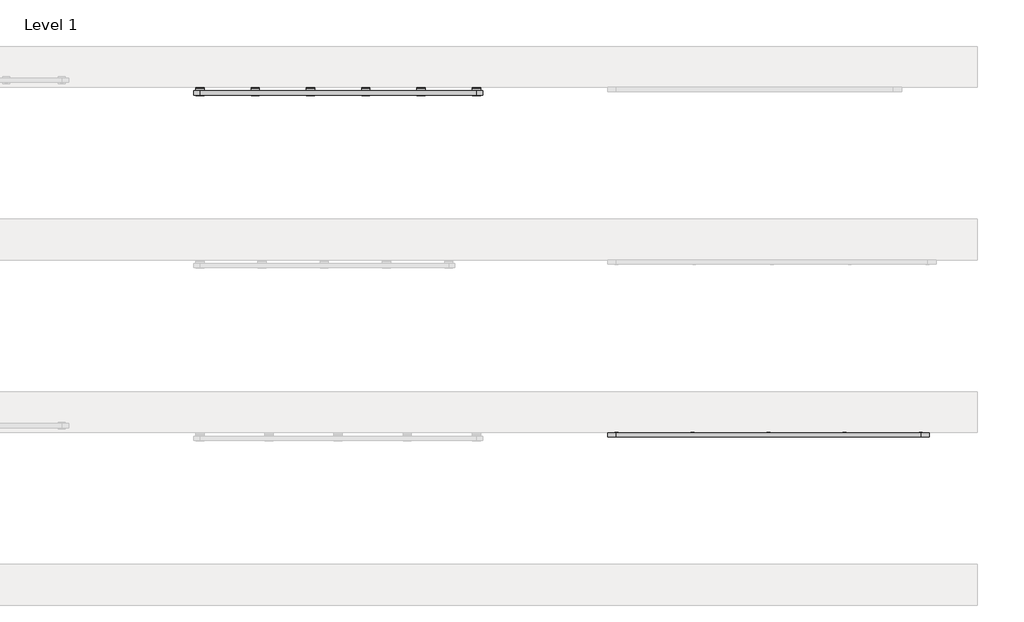
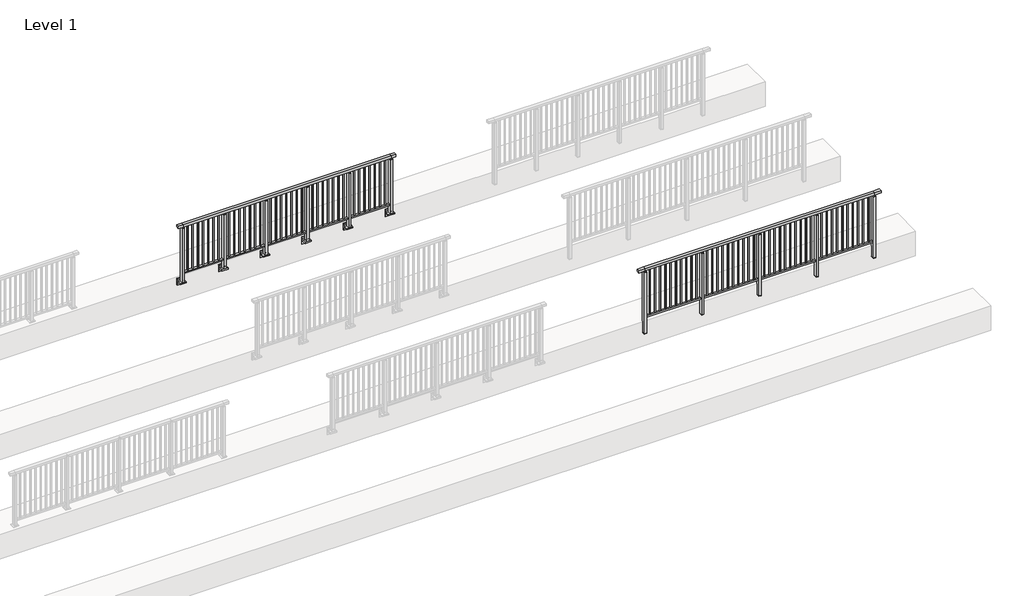
# One storey, part 16 of 37: 2 railings.
"""IFC4 building model written with IfcOpenShell, lengths in millimetres."""

from ifc_helpers import new_model, si_unit, point, frame, frame_2d, origin, place, context, project, spatial, polyline, circle_curve, trimmed, segment, composite_curve, outline, extrude, faceted_brep, element, save

model = new_model("IFC4")

# Units and contexts
model_context = context("Model", 3, world=origin())
ifc_project = project(units=[si_unit("LENGTHUNIT", "METRE", prefix="MILLI")], contexts=[model_context])

# Site, building, storey
site = spatial("IfcSite", under=ifc_project)
building = spatial("IfcBuilding", under=site)
storey = spatial("IfcBuildingStorey", under=building, Name="Level 1", Elevation=0.0)

# Railings
placement = place(None, origin())
element("IfcRailing", 1, at=placement, inside=storey, context=model_context, shape_type="SolidModel", body=[
    faceted_brep([(18027.0, 17397.6846828, 1055.0), (18027.0, 17397.6846828, 1100.0), (22427.0, 17397.6846828, 1100.0), (22427.0, 17397.6846828, 1055.0), (18027.0, 17337.6846828, 1055.0), (22427.0, 17337.6846828, 1055.0), (18027.0, 17337.6846828, 1100.0), (22427.0, 17337.6846828, 1100.0), (17899.5, 17397.6846828, 1100.0), (17899.5, 17397.6846828, 1055.0), (17899.5, 17337.6846828, 1055.0), (17899.5, 17337.6846828, 1100.0), (22554.5, 17397.6846828, 1100.0), (22554.5, 17337.6846828, 1100.0), (22554.5, 17337.6846828, 1055.0), (22554.5, 17397.6846828, 1055.0)], [[[0, 1, 2, 3]], [[4, 0, 3, 5]], [[6, 4, 5, 7]], [[1, 6, 7, 2]], [[8, 9, 10, 11]], [[9, 8, 1, 0]], [[10, 9, 0, 4]], [[11, 10, 4, 6]], [[8, 11, 6, 1]], [[12, 13, 14, 15]], [[3, 2, 12, 15]], [[5, 3, 15, 14]], [[7, 5, 14, 13]], [[2, 7, 13, 12]]]),
    extrude(outline(polyline([(18027.0, 17350.1846828), (18027.0, 17385.1846828), (22427.0, 17385.1846828), (22427.0, 17350.1846828), (18027.0, 17350.1846828)])), frame((0.0, 0.0, 95.0), z_axis=(0.0, 0.0, 1.0), x_axis=(1.0, 0.0, 0.0)), (0.0, 0.0, 1.0), 30.0),
    extrude(outline(polyline([(22335.5, 17359.1846828), (22318.5, 17359.1846828), (22318.5, 17376.1846828), (22335.5, 17376.1846828), (22335.5, 17359.1846828)])), frame((0.0, 0.0, 125.0), z_axis=(0.0, 0.0, 1.0), x_axis=(1.0, 0.0, 0.0)), (0.0, 0.0, 1.0), 930.0),
    extrude(outline(polyline([(22235.5, 17359.1846828), (22218.5, 17359.1846828), (22218.5, 17376.1846828), (22235.5, 17376.1846828), (22235.5, 17359.1846828)])), frame((0.0, 0.0, 125.0), z_axis=(0.0, 0.0, 1.0), x_axis=(1.0, 0.0, 0.0)), (0.0, 0.0, 1.0), 930.0),
    extrude(outline(polyline([(22135.5, 17359.1846828), (22118.5, 17359.1846828), (22118.5, 17376.1846828), (22135.5, 17376.1846828), (22135.5, 17359.1846828)])), frame((0.0, 0.0, 125.0), z_axis=(0.0, 0.0, 1.0), x_axis=(1.0, 0.0, 0.0)), (0.0, 0.0, 1.0), 930.0),
    extrude(outline(polyline([(22035.5, 17359.1846828), (22018.5, 17359.1846828), (22018.5, 17376.1846828), (22035.5, 17376.1846828), (22035.5, 17359.1846828)])), frame((0.0, 0.0, 125.0), z_axis=(0.0, 0.0, 1.0), x_axis=(1.0, 0.0, 0.0)), (0.0, 0.0, 1.0), 930.0),
    extrude(outline(polyline([(21935.5, 17359.1846828), (21918.5, 17359.1846828), (21918.5, 17376.1846828), (21935.5, 17376.1846828), (21935.5, 17359.1846828)])), frame((0.0, 0.0, 125.0), z_axis=(0.0, 0.0, 1.0), x_axis=(1.0, 0.0, 0.0)), (0.0, 0.0, 1.0), 930.0),
    extrude(outline(polyline([(21835.5, 17359.1846828), (21818.5, 17359.1846828), (21818.5, 17376.1846828), (21835.5, 17376.1846828), (21835.5, 17359.1846828)])), frame((0.0, 0.0, 125.0), z_axis=(0.0, 0.0, 1.0), x_axis=(1.0, 0.0, 0.0)), (0.0, 0.0, 1.0), 930.0),
    extrude(outline(polyline([(21735.5, 17359.1846828), (21718.5, 17359.1846828), (21718.5, 17376.1846828), (21735.5, 17376.1846828), (21735.5, 17359.1846828)])), frame((0.0, 0.0, 125.0), z_axis=(0.0, 0.0, 1.0), x_axis=(1.0, 0.0, 0.0)), (0.0, 0.0, 1.0), 930.0),
    extrude(outline(polyline([(21635.5, 17359.1846828), (21618.5, 17359.1846828), (21618.5, 17376.1846828), (21635.5, 17376.1846828), (21635.5, 17359.1846828)])), frame((0.0, 0.0, 125.0), z_axis=(0.0, 0.0, 1.0), x_axis=(1.0, 0.0, 0.0)), (0.0, 0.0, 1.0), 930.0),
    extrude(outline(polyline([(21535.5, 17359.1846828), (21518.5, 17359.1846828), (21518.5, 17376.1846828), (21535.5, 17376.1846828), (21535.5, 17359.1846828)])), frame((0.0, 0.0, 125.0), z_axis=(0.0, 0.0, 1.0), x_axis=(1.0, 0.0, 0.0)), (0.0, 0.0, 1.0), 930.0),
    extrude(outline(polyline([(21435.5, 17359.1846828), (21418.5, 17359.1846828), (21418.5, 17376.1846828), (21435.5, 17376.1846828), (21435.5, 17359.1846828)])), frame((0.0, 0.0, 125.0), z_axis=(0.0, 0.0, 1.0), x_axis=(1.0, 0.0, 0.0)), (0.0, 0.0, 1.0), 930.0),
    extrude(outline(polyline([(21349.5, 17400.1846828), (21349.5, 17335.1846828), (21304.5, 17335.1846828), (21304.5, 17400.1846828), (21349.5, 17400.1846828)])), frame((0.0, 0.0, 1027.0), z_axis=(0.0, 0.0, 1.0), x_axis=(1.0, 0.0, 0.0)), (0.0, 0.0, 1.0), 8.0),
    extrude(outline(polyline([(21349.5, 17400.1846828), (21349.5, 17335.1846828), (21304.5, 17335.1846828), (21304.5, 17400.1846828), (21349.5, 17400.1846828)])), frame((0.0, 0.0, -212.0), z_axis=(0.0, 0.0, 1.0), x_axis=(1.0, 0.0, 0.0)), (0.0, 0.0, 1.0), 1239.0),
    extrude(outline(polyline([(21337.0, 17377.6846828), (21337.0, 17357.6846828), (21317.0, 17357.6846828), (21317.0, 17377.6846828), (21337.0, 17377.6846828)])), frame((0.0, 0.0, 1035.0), z_axis=(0.0, 0.0, 1.0), x_axis=(1.0, 0.0, 0.0)), (0.0, 0.0, 1.0), 20.0),
    extrude(outline(polyline([(21349.5, 17400.1846828), (21349.5, 17335.1846828), (21304.5, 17335.1846828), (21304.5, 17400.1846828), (21349.5, 17400.1846828)])), frame((0.0, 0.0, -220.0), z_axis=(0.0, 0.0, 1.0), x_axis=(1.0, 0.0, 0.0)), (0.0, 0.0, 1.0), 8.0),
    extrude(outline(polyline([(21235.5, 17359.1846828), (21218.5, 17359.1846828), (21218.5, 17376.1846828), (21235.5, 17376.1846828), (21235.5, 17359.1846828)])), frame((0.0, 0.0, 125.0), z_axis=(0.0, 0.0, 1.0), x_axis=(1.0, 0.0, 0.0)), (0.0, 0.0, 1.0), 930.0),
    extrude(outline(polyline([(21135.5, 17359.1846828), (21118.5, 17359.1846828), (21118.5, 17376.1846828), (21135.5, 17376.1846828), (21135.5, 17359.1846828)])), frame((0.0, 0.0, 125.0), z_axis=(0.0, 0.0, 1.0), x_axis=(1.0, 0.0, 0.0)), (0.0, 0.0, 1.0), 930.0),
    extrude(outline(polyline([(21035.5, 17359.1846828), (21018.5, 17359.1846828), (21018.5, 17376.1846828), (21035.5, 17376.1846828), (21035.5, 17359.1846828)])), frame((0.0, 0.0, 125.0), z_axis=(0.0, 0.0, 1.0), x_axis=(1.0, 0.0, 0.0)), (0.0, 0.0, 1.0), 930.0),
    extrude(outline(polyline([(20935.5, 17359.1846828), (20918.5, 17359.1846828), (20918.5, 17376.1846828), (20935.5, 17376.1846828), (20935.5, 17359.1846828)])), frame((0.0, 0.0, 125.0), z_axis=(0.0, 0.0, 1.0), x_axis=(1.0, 0.0, 0.0)), (0.0, 0.0, 1.0), 930.0),
    extrude(outline(polyline([(20835.5, 17359.1846828), (20818.5, 17359.1846828), (20818.5, 17376.1846828), (20835.5, 17376.1846828), (20835.5, 17359.1846828)])), frame((0.0, 0.0, 125.0), z_axis=(0.0, 0.0, 1.0), x_axis=(1.0, 0.0, 0.0)), (0.0, 0.0, 1.0), 930.0),
    extrude(outline(polyline([(20735.5, 17359.1846828), (20718.5, 17359.1846828), (20718.5, 17376.1846828), (20735.5, 17376.1846828), (20735.5, 17359.1846828)])), frame((0.0, 0.0, 125.0), z_axis=(0.0, 0.0, 1.0), x_axis=(1.0, 0.0, 0.0)), (0.0, 0.0, 1.0), 930.0),
    extrude(outline(polyline([(20635.5, 17359.1846828), (20618.5, 17359.1846828), (20618.5, 17376.1846828), (20635.5, 17376.1846828), (20635.5, 17359.1846828)])), frame((0.0, 0.0, 125.0), z_axis=(0.0, 0.0, 1.0), x_axis=(1.0, 0.0, 0.0)), (0.0, 0.0, 1.0), 930.0),
    extrude(outline(polyline([(20535.5, 17359.1846828), (20518.5, 17359.1846828), (20518.5, 17376.1846828), (20535.5, 17376.1846828), (20535.5, 17359.1846828)])), frame((0.0, 0.0, 125.0), z_axis=(0.0, 0.0, 1.0), x_axis=(1.0, 0.0, 0.0)), (0.0, 0.0, 1.0), 930.0),
    extrude(outline(polyline([(20435.5, 17359.1846828), (20418.5, 17359.1846828), (20418.5, 17376.1846828), (20435.5, 17376.1846828), (20435.5, 17359.1846828)])), frame((0.0, 0.0, 125.0), z_axis=(0.0, 0.0, 1.0), x_axis=(1.0, 0.0, 0.0)), (0.0, 0.0, 1.0), 930.0),
    extrude(outline(polyline([(20335.5, 17359.1846828), (20318.5, 17359.1846828), (20318.5, 17376.1846828), (20335.5, 17376.1846828), (20335.5, 17359.1846828)])), frame((0.0, 0.0, 125.0), z_axis=(0.0, 0.0, 1.0), x_axis=(1.0, 0.0, 0.0)), (0.0, 0.0, 1.0), 930.0),
    extrude(outline(polyline([(20249.5, 17400.1846828), (20249.5, 17335.1846828), (20204.5, 17335.1846828), (20204.5, 17400.1846828), (20249.5, 17400.1846828)])), frame((0.0, 0.0, 1027.0), z_axis=(0.0, 0.0, 1.0), x_axis=(1.0, 0.0, 0.0)), (0.0, 0.0, 1.0), 8.0),
    extrude(outline(polyline([(20249.5, 17400.1846828), (20249.5, 17335.1846828), (20204.5, 17335.1846828), (20204.5, 17400.1846828), (20249.5, 17400.1846828)])), frame((0.0, 0.0, -212.0), z_axis=(0.0, 0.0, 1.0), x_axis=(1.0, 0.0, 0.0)), (0.0, 0.0, 1.0), 1239.0),
    extrude(outline(polyline([(20237.0, 17377.6846828), (20237.0, 17357.6846828), (20217.0, 17357.6846828), (20217.0, 17377.6846828), (20237.0, 17377.6846828)])), frame((0.0, 0.0, 1035.0), z_axis=(0.0, 0.0, 1.0), x_axis=(1.0, 0.0, 0.0)), (0.0, 0.0, 1.0), 20.0),
    extrude(outline(polyline([(20249.5, 17400.1846828), (20249.5, 17335.1846828), (20204.5, 17335.1846828), (20204.5, 17400.1846828), (20249.5, 17400.1846828)])), frame((0.0, 0.0, -220.0), z_axis=(0.0, 0.0, 1.0), x_axis=(1.0, 0.0, 0.0)), (0.0, 0.0, 1.0), 8.0),
    extrude(outline(polyline([(20135.5, 17359.1846828), (20118.5, 17359.1846828), (20118.5, 17376.1846828), (20135.5, 17376.1846828), (20135.5, 17359.1846828)])), frame((0.0, 0.0, 125.0), z_axis=(0.0, 0.0, 1.0), x_axis=(1.0, 0.0, 0.0)), (0.0, 0.0, 1.0), 930.0),
    extrude(outline(polyline([(20035.5, 17359.1846828), (20018.5, 17359.1846828), (20018.5, 17376.1846828), (20035.5, 17376.1846828), (20035.5, 17359.1846828)])), frame((0.0, 0.0, 125.0), z_axis=(0.0, 0.0, 1.0), x_axis=(1.0, 0.0, 0.0)), (0.0, 0.0, 1.0), 930.0),
    extrude(outline(polyline([(19935.5, 17359.1846828), (19918.5, 17359.1846828), (19918.5, 17376.1846828), (19935.5, 17376.1846828), (19935.5, 17359.1846828)])), frame((0.0, 0.0, 125.0), z_axis=(0.0, 0.0, 1.0), x_axis=(1.0, 0.0, 0.0)), (0.0, 0.0, 1.0), 930.0),
    extrude(outline(polyline([(19835.5, 17359.1846828), (19818.5, 17359.1846828), (19818.5, 17376.1846828), (19835.5, 17376.1846828), (19835.5, 17359.1846828)])), frame((0.0, 0.0, 125.0), z_axis=(0.0, 0.0, 1.0), x_axis=(1.0, 0.0, 0.0)), (0.0, 0.0, 1.0), 930.0),
    extrude(outline(polyline([(19735.5, 17359.1846828), (19718.5, 17359.1846828), (19718.5, 17376.1846828), (19735.5, 17376.1846828), (19735.5, 17359.1846828)])), frame((0.0, 0.0, 125.0), z_axis=(0.0, 0.0, 1.0), x_axis=(1.0, 0.0, 0.0)), (0.0, 0.0, 1.0), 930.0),
    extrude(outline(polyline([(19635.5, 17359.1846828), (19618.5, 17359.1846828), (19618.5, 17376.1846828), (19635.5, 17376.1846828), (19635.5, 17359.1846828)])), frame((0.0, 0.0, 125.0), z_axis=(0.0, 0.0, 1.0), x_axis=(1.0, 0.0, 0.0)), (0.0, 0.0, 1.0), 930.0),
    extrude(outline(polyline([(19535.5, 17359.1846828), (19518.5, 17359.1846828), (19518.5, 17376.1846828), (19535.5, 17376.1846828), (19535.5, 17359.1846828)])), frame((0.0, 0.0, 125.0), z_axis=(0.0, 0.0, 1.0), x_axis=(1.0, 0.0, 0.0)), (0.0, 0.0, 1.0), 930.0),
    extrude(outline(polyline([(19435.5, 17359.1846828), (19418.5, 17359.1846828), (19418.5, 17376.1846828), (19435.5, 17376.1846828), (19435.5, 17359.1846828)])), frame((0.0, 0.0, 125.0), z_axis=(0.0, 0.0, 1.0), x_axis=(1.0, 0.0, 0.0)), (0.0, 0.0, 1.0), 930.0),
    extrude(outline(polyline([(19335.5, 17359.1846828), (19318.5, 17359.1846828), (19318.5, 17376.1846828), (19335.5, 17376.1846828), (19335.5, 17359.1846828)])), frame((0.0, 0.0, 125.0), z_axis=(0.0, 0.0, 1.0), x_axis=(1.0, 0.0, 0.0)), (0.0, 0.0, 1.0), 930.0),
    extrude(outline(polyline([(19235.5, 17359.1846828), (19218.5, 17359.1846828), (19218.5, 17376.1846828), (19235.5, 17376.1846828), (19235.5, 17359.1846828)])), frame((0.0, 0.0, 125.0), z_axis=(0.0, 0.0, 1.0), x_axis=(1.0, 0.0, 0.0)), (0.0, 0.0, 1.0), 930.0),
    extrude(outline(polyline([(19149.5, 17400.1846828), (19149.5, 17335.1846828), (19104.5, 17335.1846828), (19104.5, 17400.1846828), (19149.5, 17400.1846828)])), frame((0.0, 0.0, 1027.0), z_axis=(0.0, 0.0, 1.0), x_axis=(1.0, 0.0, 0.0)), (0.0, 0.0, 1.0), 8.0),
    extrude(outline(polyline([(19149.5, 17400.1846828), (19149.5, 17335.1846828), (19104.5, 17335.1846828), (19104.5, 17400.1846828), (19149.5, 17400.1846828)])), frame((0.0, 0.0, -212.0), z_axis=(0.0, 0.0, 1.0), x_axis=(1.0, 0.0, 0.0)), (0.0, 0.0, 1.0), 1239.0),
    extrude(outline(polyline([(19137.0, 17377.6846828), (19137.0, 17357.6846828), (19117.0, 17357.6846828), (19117.0, 17377.6846828), (19137.0, 17377.6846828)])), frame((0.0, 0.0, 1035.0), z_axis=(0.0, 0.0, 1.0), x_axis=(1.0, 0.0, 0.0)), (0.0, 0.0, 1.0), 20.0),
    extrude(outline(polyline([(19149.5, 17400.1846828), (19149.5, 17335.1846828), (19104.5, 17335.1846828), (19104.5, 17400.1846828), (19149.5, 17400.1846828)])), frame((0.0, 0.0, -220.0), z_axis=(0.0, 0.0, 1.0), x_axis=(1.0, 0.0, 0.0)), (0.0, 0.0, 1.0), 8.0),
    extrude(outline(polyline([(19035.5, 17359.1846828), (19018.5, 17359.1846828), (19018.5, 17376.1846828), (19035.5, 17376.1846828), (19035.5, 17359.1846828)])), frame((0.0, 0.0, 125.0), z_axis=(0.0, 0.0, 1.0), x_axis=(1.0, 0.0, 0.0)), (0.0, 0.0, 1.0), 930.0),
    extrude(outline(polyline([(18935.5, 17359.1846828), (18918.5, 17359.1846828), (18918.5, 17376.1846828), (18935.5, 17376.1846828), (18935.5, 17359.1846828)])), frame((0.0, 0.0, 125.0), z_axis=(0.0, 0.0, 1.0), x_axis=(1.0, 0.0, 0.0)), (0.0, 0.0, 1.0), 930.0),
    extrude(outline(polyline([(18835.5, 17359.1846828), (18818.5, 17359.1846828), (18818.5, 17376.1846828), (18835.5, 17376.1846828), (18835.5, 17359.1846828)])), frame((0.0, 0.0, 125.0), z_axis=(0.0, 0.0, 1.0), x_axis=(1.0, 0.0, 0.0)), (0.0, 0.0, 1.0), 930.0),
    extrude(outline(polyline([(18735.5, 17359.1846828), (18718.5, 17359.1846828), (18718.5, 17376.1846828), (18735.5, 17376.1846828), (18735.5, 17359.1846828)])), frame((0.0, 0.0, 125.0), z_axis=(0.0, 0.0, 1.0), x_axis=(1.0, 0.0, 0.0)), (0.0, 0.0, 1.0), 930.0),
    extrude(outline(polyline([(18635.5, 17359.1846828), (18618.5, 17359.1846828), (18618.5, 17376.1846828), (18635.5, 17376.1846828), (18635.5, 17359.1846828)])), frame((0.0, 0.0, 125.0), z_axis=(0.0, 0.0, 1.0), x_axis=(1.0, 0.0, 0.0)), (0.0, 0.0, 1.0), 930.0),
    extrude(outline(polyline([(18535.5, 17359.1846828), (18518.5, 17359.1846828), (18518.5, 17376.1846828), (18535.5, 17376.1846828), (18535.5, 17359.1846828)])), frame((0.0, 0.0, 125.0), z_axis=(0.0, 0.0, 1.0), x_axis=(1.0, 0.0, 0.0)), (0.0, 0.0, 1.0), 930.0),
    extrude(outline(polyline([(18435.5, 17359.1846828), (18418.5, 17359.1846828), (18418.5, 17376.1846828), (18435.5, 17376.1846828), (18435.5, 17359.1846828)])), frame((0.0, 0.0, 125.0), z_axis=(0.0, 0.0, 1.0), x_axis=(1.0, 0.0, 0.0)), (0.0, 0.0, 1.0), 930.0),
    extrude(outline(polyline([(18335.5, 17359.1846828), (18318.5, 17359.1846828), (18318.5, 17376.1846828), (18335.5, 17376.1846828), (18335.5, 17359.1846828)])), frame((0.0, 0.0, 125.0), z_axis=(0.0, 0.0, 1.0), x_axis=(1.0, 0.0, 0.0)), (0.0, 0.0, 1.0), 930.0),
    extrude(outline(polyline([(18235.5, 17359.1846828), (18218.5, 17359.1846828), (18218.5, 17376.1846828), (18235.5, 17376.1846828), (18235.5, 17359.1846828)])), frame((0.0, 0.0, 125.0), z_axis=(0.0, 0.0, 1.0), x_axis=(1.0, 0.0, 0.0)), (0.0, 0.0, 1.0), 930.0),
    extrude(outline(polyline([(18135.5, 17359.1846828), (18118.5, 17359.1846828), (18118.5, 17376.1846828), (18135.5, 17376.1846828), (18135.5, 17359.1846828)])), frame((0.0, 0.0, 125.0), z_axis=(0.0, 0.0, 1.0), x_axis=(1.0, 0.0, 0.0)), (0.0, 0.0, 1.0), 930.0),
    extrude(outline(polyline([(22449.5, 17400.1846828), (22449.5, 17335.1846828), (22404.5, 17335.1846828), (22404.5, 17400.1846828), (22449.5, 17400.1846828)])), frame((0.0, 0.0, 1027.0), z_axis=(0.0, 0.0, 1.0), x_axis=(1.0, 0.0, 0.0)), (0.0, 0.0, 1.0), 8.0),
    extrude(outline(polyline([(22449.5, 17400.1846828), (22449.5, 17335.1846828), (22404.5, 17335.1846828), (22404.5, 17400.1846828), (22449.5, 17400.1846828)])), frame((0.0, 0.0, -212.0), z_axis=(0.0, 0.0, 1.0), x_axis=(1.0, 0.0, 0.0)), (0.0, 0.0, 1.0), 1239.0),
    extrude(outline(polyline([(22437.0, 17377.6846828), (22437.0, 17357.6846828), (22417.0, 17357.6846828), (22417.0, 17377.6846828), (22437.0, 17377.6846828)])), frame((0.0, 0.0, 1035.0), z_axis=(0.0, 0.0, 1.0), x_axis=(1.0, 0.0, 0.0)), (0.0, 0.0, 1.0), 20.0),
    extrude(outline(polyline([(22449.5, 17400.1846828), (22449.5, 17335.1846828), (22404.5, 17335.1846828), (22404.5, 17400.1846828), (22449.5, 17400.1846828)])), frame((0.0, 0.0, -220.0), z_axis=(0.0, 0.0, 1.0), x_axis=(1.0, 0.0, 0.0)), (0.0, 0.0, 1.0), 8.0),
    extrude(outline(polyline([(18049.5, 17400.1846828), (18049.5, 17335.1846828), (18004.5, 17335.1846828), (18004.5, 17400.1846828), (18049.5, 17400.1846828)])), frame((0.0, 0.0, 1027.0), z_axis=(0.0, 0.0, 1.0), x_axis=(1.0, 0.0, 0.0)), (0.0, 0.0, 1.0), 8.0),
    extrude(outline(polyline([(18049.5, 17400.1846828), (18049.5, 17335.1846828), (18004.5, 17335.1846828), (18004.5, 17400.1846828), (18049.5, 17400.1846828)])), frame((0.0, 0.0, -212.0), z_axis=(0.0, 0.0, 1.0), x_axis=(1.0, 0.0, 0.0)), (0.0, 0.0, 1.0), 1239.0),
    extrude(outline(polyline([(18037.0, 17377.6846828), (18037.0, 17357.6846828), (18017.0, 17357.6846828), (18017.0, 17377.6846828), (18037.0, 17377.6846828)])), frame((0.0, 0.0, 1035.0), z_axis=(0.0, 0.0, 1.0), x_axis=(1.0, 0.0, 0.0)), (0.0, 0.0, 1.0), 20.0),
    extrude(outline(polyline([(18049.5, 17400.1846828), (18049.5, 17335.1846828), (18004.5, 17335.1846828), (18004.5, 17400.1846828), (18049.5, 17400.1846828)])), frame((0.0, 0.0, -220.0), z_axis=(0.0, 0.0, 1.0), x_axis=(1.0, 0.0, 0.0)), (0.0, 0.0, 1.0), 8.0),
])
element("IfcRailing", 2, at=placement, inside=storey, context=model_context, shape_type="SolidModel", body=[
    faceted_brep([(11910.0, 22347.6846828, 1100.0), (11910.0, 22347.6846828, 1055.0), (11910.0, 22287.6846828, 1055.0), (11910.0, 22287.6846828, 1100.0), (12000.0, 22347.6846828, 1100.0), (12000.0, 22347.6846828, 1055.0), (12000.0, 22287.6846828, 1055.0), (12000.0, 22287.6846828, 1100.0), (16000.0, 22347.6846828, 1100.0), (16000.0, 22347.6846828, 1055.0), (16000.0, 22287.6846828, 1055.0), (16000.0, 22287.6846828, 1100.0), (16090.0, 22347.6846828, 1100.0), (16090.0, 22287.6846828, 1100.0), (16090.0, 22287.6846828, 1055.0), (16090.0, 22347.6846828, 1055.0)], [[[0, 1, 2, 3]], [[1, 0, 4, 5]], [[2, 1, 5, 6]], [[3, 2, 6, 7]], [[0, 3, 7, 4]], [[5, 4, 8, 9]], [[6, 5, 9, 10]], [[7, 6, 10, 11]], [[4, 7, 11, 8]], [[12, 13, 14, 15]], [[9, 8, 12, 15]], [[10, 9, 15, 14]], [[11, 10, 14, 13]], [[8, 11, 13, 12]]]),
    extrude(outline(polyline([(12000.0, 22300.1846828), (12000.0, 22335.1846828), (16000.0, 22335.1846828), (16000.0, 22300.1846828), (12000.0, 22300.1846828)])), frame((0.0, 0.0, 95.0), z_axis=(0.0, 0.0, 1.0), x_axis=(1.0, 0.0, 0.0)), (0.0, 0.0, 1.0), 30.0),
    extrude(outline(polyline([(15908.5, 22309.1846828), (15891.5, 22309.1846828), (15891.5, 22326.1846828), (15908.5, 22326.1846828), (15908.5, 22309.1846828)])), frame((0.0, 0.0, 125.0), z_axis=(0.0, 0.0, 1.0), x_axis=(1.0, 0.0, 0.0)), (0.0, 0.0, 1.0), 930.0),
    extrude(outline(polyline([(15808.5, 22309.1846828), (15791.5, 22309.1846828), (15791.5, 22326.1846828), (15808.5, 22326.1846828), (15808.5, 22309.1846828)])), frame((0.0, 0.0, 125.0), z_axis=(0.0, 0.0, 1.0), x_axis=(1.0, 0.0, 0.0)), (0.0, 0.0, 1.0), 930.0),
    extrude(outline(polyline([(15708.5, 22309.1846828), (15691.5, 22309.1846828), (15691.5, 22326.1846828), (15708.5, 22326.1846828), (15708.5, 22309.1846828)])), frame((0.0, 0.0, 125.0), z_axis=(0.0, 0.0, 1.0), x_axis=(1.0, 0.0, 0.0)), (0.0, 0.0, 1.0), 930.0),
    extrude(outline(polyline([(15608.5, 22309.1846828), (15591.5, 22309.1846828), (15591.5, 22326.1846828), (15608.5, 22326.1846828), (15608.5, 22309.1846828)])), frame((0.0, 0.0, 125.0), z_axis=(0.0, 0.0, 1.0), x_axis=(1.0, 0.0, 0.0)), (0.0, 0.0, 1.0), 930.0),
    extrude(outline(polyline([(15508.5, 22309.1846828), (15491.5, 22309.1846828), (15491.5, 22326.1846828), (15508.5, 22326.1846828), (15508.5, 22309.1846828)])), frame((0.0, 0.0, 125.0), z_axis=(0.0, 0.0, 1.0), x_axis=(1.0, 0.0, 0.0)), (0.0, 0.0, 1.0), 930.0),
    extrude(outline(polyline([(15408.5, 22309.1846828), (15391.5, 22309.1846828), (15391.5, 22326.1846828), (15408.5, 22326.1846828), (15408.5, 22309.1846828)])), frame((0.0, 0.0, 125.0), z_axis=(0.0, 0.0, 1.0), x_axis=(1.0, 0.0, 0.0)), (0.0, 0.0, 1.0), 930.0),
    extrude(outline(polyline([(15308.5, 22309.1846828), (15291.5, 22309.1846828), (15291.5, 22326.1846828), (15308.5, 22326.1846828), (15308.5, 22309.1846828)])), frame((0.0, 0.0, 125.0), z_axis=(0.0, 0.0, 1.0), x_axis=(1.0, 0.0, 0.0)), (0.0, 0.0, 1.0), 930.0),
    extrude(outline(composite_curve([segment(polyline([(22350.1846828, -70.0), (22384.1846828, -63.0), (22384.1846828, -32.5), (22400.1846828, -32.5), (22400.1846828, -167.5), (22384.1846828, -167.5), (22384.1846828, -113.5)]), True, "CONTINUOUS"), segment(trimmed(circle_curve(frame_2d((22364.1846828, -113.5)), 20.0), [point((22384.1846828, -113.5))], [point((22364.1846828, -93.5))], True, "CARTESIAN"), True, "CONTINUOUS"), segment(polyline([(22364.1846828, -93.5), (22280.1846828, -93.5), (22280.1846828, -70.0), (22350.1846828, -70.0)]), True, "CONTINUOUS")], self_intersect=False)), frame((15140.0, 0.0, 0.0), z_axis=(1.0, 0.0, 0.0), x_axis=(0.0, 1.0, 0.0)), (0.0, 0.0, 1.0), 120.0),
    extrude(outline(polyline([(15222.5, 22350.1846828), (15222.5, 22285.1846828), (15177.5, 22285.1846828), (15177.5, 22350.1846828), (15222.5, 22350.1846828)])), frame((0.0, 0.0, -70.0), z_axis=(0.0, 0.0, 1.0), x_axis=(1.0, 0.0, 0.0)), (0.0, 0.0, 1.0), 1097.0),
    extrude(outline(polyline([(15210.0, 22327.6846828), (15210.0, 22307.6846828), (15190.0, 22307.6846828), (15190.0, 22327.6846828), (15210.0, 22327.6846828)])), frame((0.0, 0.0, 1035.0), z_axis=(0.0, 0.0, 1.0), x_axis=(1.0, 0.0, 0.0)), (0.0, 0.0, 1.0), 20.0),
    extrude(outline(polyline([(15222.5, 22350.1846828), (15222.5, 22285.1846828), (15177.5, 22285.1846828), (15177.5, 22350.1846828), (15222.5, 22350.1846828)])), frame((0.0, 0.0, 1027.0), z_axis=(0.0, 0.0, 1.0), x_axis=(1.0, 0.0, 0.0)), (0.0, 0.0, 1.0), 8.0),
    extrude(outline(polyline([(15108.5, 22309.1846828), (15091.5, 22309.1846828), (15091.5, 22326.1846828), (15108.5, 22326.1846828), (15108.5, 22309.1846828)])), frame((0.0, 0.0, 125.0), z_axis=(0.0, 0.0, 1.0), x_axis=(1.0, 0.0, 0.0)), (0.0, 0.0, 1.0), 930.0),
    extrude(outline(polyline([(15008.5, 22309.1846828), (14991.5, 22309.1846828), (14991.5, 22326.1846828), (15008.5, 22326.1846828), (15008.5, 22309.1846828)])), frame((0.0, 0.0, 125.0), z_axis=(0.0, 0.0, 1.0), x_axis=(1.0, 0.0, 0.0)), (0.0, 0.0, 1.0), 930.0),
    extrude(outline(polyline([(14908.5, 22309.1846828), (14891.5, 22309.1846828), (14891.5, 22326.1846828), (14908.5, 22326.1846828), (14908.5, 22309.1846828)])), frame((0.0, 0.0, 125.0), z_axis=(0.0, 0.0, 1.0), x_axis=(1.0, 0.0, 0.0)), (0.0, 0.0, 1.0), 930.0),
    extrude(outline(polyline([(14808.5, 22309.1846828), (14791.5, 22309.1846828), (14791.5, 22326.1846828), (14808.5, 22326.1846828), (14808.5, 22309.1846828)])), frame((0.0, 0.0, 125.0), z_axis=(0.0, 0.0, 1.0), x_axis=(1.0, 0.0, 0.0)), (0.0, 0.0, 1.0), 930.0),
    extrude(outline(polyline([(14708.5, 22309.1846828), (14691.5, 22309.1846828), (14691.5, 22326.1846828), (14708.5, 22326.1846828), (14708.5, 22309.1846828)])), frame((0.0, 0.0, 125.0), z_axis=(0.0, 0.0, 1.0), x_axis=(1.0, 0.0, 0.0)), (0.0, 0.0, 1.0), 930.0),
    extrude(outline(polyline([(14608.5, 22309.1846828), (14591.5, 22309.1846828), (14591.5, 22326.1846828), (14608.5, 22326.1846828), (14608.5, 22309.1846828)])), frame((0.0, 0.0, 125.0), z_axis=(0.0, 0.0, 1.0), x_axis=(1.0, 0.0, 0.0)), (0.0, 0.0, 1.0), 930.0),
    extrude(outline(polyline([(14508.5, 22309.1846828), (14491.5, 22309.1846828), (14491.5, 22326.1846828), (14508.5, 22326.1846828), (14508.5, 22309.1846828)])), frame((0.0, 0.0, 125.0), z_axis=(0.0, 0.0, 1.0), x_axis=(1.0, 0.0, 0.0)), (0.0, 0.0, 1.0), 930.0),
    extrude(outline(composite_curve([segment(polyline([(22350.1846828, -70.0), (22384.1846828, -63.0), (22384.1846828, -32.5), (22400.1846828, -32.5), (22400.1846828, -167.5), (22384.1846828, -167.5), (22384.1846828, -113.5)]), True, "CONTINUOUS"), segment(trimmed(circle_curve(frame_2d((22364.1846828, -113.5)), 20.0), [point((22384.1846828, -113.5))], [point((22364.1846828, -93.5))], True, "CARTESIAN"), True, "CONTINUOUS"), segment(polyline([(22364.1846828, -93.5), (22280.1846828, -93.5), (22280.1846828, -70.0), (22350.1846828, -70.0)]), True, "CONTINUOUS")], self_intersect=False)), frame((14340.0, 0.0, 0.0), z_axis=(1.0, 0.0, 0.0), x_axis=(0.0, 1.0, 0.0)), (0.0, 0.0, 1.0), 120.0),
    extrude(outline(polyline([(14422.5, 22350.1846828), (14422.5, 22285.1846828), (14377.5, 22285.1846828), (14377.5, 22350.1846828), (14422.5, 22350.1846828)])), frame((0.0, 0.0, -70.0), z_axis=(0.0, 0.0, 1.0), x_axis=(1.0, 0.0, 0.0)), (0.0, 0.0, 1.0), 1097.0),
    extrude(outline(polyline([(14410.0, 22327.6846828), (14410.0, 22307.6846828), (14390.0, 22307.6846828), (14390.0, 22327.6846828), (14410.0, 22327.6846828)])), frame((0.0, 0.0, 1035.0), z_axis=(0.0, 0.0, 1.0), x_axis=(1.0, 0.0, 0.0)), (0.0, 0.0, 1.0), 20.0),
    extrude(outline(polyline([(14422.5, 22350.1846828), (14422.5, 22285.1846828), (14377.5, 22285.1846828), (14377.5, 22350.1846828), (14422.5, 22350.1846828)])), frame((0.0, 0.0, 1027.0), z_axis=(0.0, 0.0, 1.0), x_axis=(1.0, 0.0, 0.0)), (0.0, 0.0, 1.0), 8.0),
    extrude(outline(polyline([(14308.5, 22309.1846828), (14291.5, 22309.1846828), (14291.5, 22326.1846828), (14308.5, 22326.1846828), (14308.5, 22309.1846828)])), frame((0.0, 0.0, 125.0), z_axis=(0.0, 0.0, 1.0), x_axis=(1.0, 0.0, 0.0)), (0.0, 0.0, 1.0), 930.0),
    extrude(outline(polyline([(14208.5, 22309.1846828), (14191.5, 22309.1846828), (14191.5, 22326.1846828), (14208.5, 22326.1846828), (14208.5, 22309.1846828)])), frame((0.0, 0.0, 125.0), z_axis=(0.0, 0.0, 1.0), x_axis=(1.0, 0.0, 0.0)), (0.0, 0.0, 1.0), 930.0),
    extrude(outline(polyline([(14108.5, 22309.1846828), (14091.5, 22309.1846828), (14091.5, 22326.1846828), (14108.5, 22326.1846828), (14108.5, 22309.1846828)])), frame((0.0, 0.0, 125.0), z_axis=(0.0, 0.0, 1.0), x_axis=(1.0, 0.0, 0.0)), (0.0, 0.0, 1.0), 930.0),
    extrude(outline(polyline([(14008.5, 22309.1846828), (13991.5, 22309.1846828), (13991.5, 22326.1846828), (14008.5, 22326.1846828), (14008.5, 22309.1846828)])), frame((0.0, 0.0, 125.0), z_axis=(0.0, 0.0, 1.0), x_axis=(1.0, 0.0, 0.0)), (0.0, 0.0, 1.0), 930.0),
    extrude(outline(polyline([(13908.5, 22309.1846828), (13891.5, 22309.1846828), (13891.5, 22326.1846828), (13908.5, 22326.1846828), (13908.5, 22309.1846828)])), frame((0.0, 0.0, 125.0), z_axis=(0.0, 0.0, 1.0), x_axis=(1.0, 0.0, 0.0)), (0.0, 0.0, 1.0), 930.0),
    extrude(outline(polyline([(13808.5, 22309.1846828), (13791.5, 22309.1846828), (13791.5, 22326.1846828), (13808.5, 22326.1846828), (13808.5, 22309.1846828)])), frame((0.0, 0.0, 125.0), z_axis=(0.0, 0.0, 1.0), x_axis=(1.0, 0.0, 0.0)), (0.0, 0.0, 1.0), 930.0),
    extrude(outline(polyline([(13708.5, 22309.1846828), (13691.5, 22309.1846828), (13691.5, 22326.1846828), (13708.5, 22326.1846828), (13708.5, 22309.1846828)])), frame((0.0, 0.0, 125.0), z_axis=(0.0, 0.0, 1.0), x_axis=(1.0, 0.0, 0.0)), (0.0, 0.0, 1.0), 930.0),
    extrude(outline(composite_curve([segment(polyline([(22350.1846828, -70.0), (22384.1846828, -63.0), (22384.1846828, -32.5), (22400.1846828, -32.5), (22400.1846828, -167.5), (22384.1846828, -167.5), (22384.1846828, -113.5)]), True, "CONTINUOUS"), segment(trimmed(circle_curve(frame_2d((22364.1846828, -113.5)), 20.0), [point((22384.1846828, -113.5))], [point((22364.1846828, -93.5))], True, "CARTESIAN"), True, "CONTINUOUS"), segment(polyline([(22364.1846828, -93.5), (22280.1846828, -93.5), (22280.1846828, -70.0), (22350.1846828, -70.0)]), True, "CONTINUOUS")], self_intersect=False)), frame((13540.0, 0.0, 0.0), z_axis=(1.0, 0.0, 0.0), x_axis=(0.0, 1.0, 0.0)), (0.0, 0.0, 1.0), 120.0),
    extrude(outline(polyline([(13622.5, 22350.1846828), (13622.5, 22285.1846828), (13577.5, 22285.1846828), (13577.5, 22350.1846828), (13622.5, 22350.1846828)])), frame((0.0, 0.0, -70.0), z_axis=(0.0, 0.0, 1.0), x_axis=(1.0, 0.0, 0.0)), (0.0, 0.0, 1.0), 1097.0),
    extrude(outline(polyline([(13610.0, 22327.6846828), (13610.0, 22307.6846828), (13590.0, 22307.6846828), (13590.0, 22327.6846828), (13610.0, 22327.6846828)])), frame((0.0, 0.0, 1035.0), z_axis=(0.0, 0.0, 1.0), x_axis=(1.0, 0.0, 0.0)), (0.0, 0.0, 1.0), 20.0),
    extrude(outline(polyline([(13622.5, 22350.1846828), (13622.5, 22285.1846828), (13577.5, 22285.1846828), (13577.5, 22350.1846828), (13622.5, 22350.1846828)])), frame((0.0, 0.0, 1027.0), z_axis=(0.0, 0.0, 1.0), x_axis=(1.0, 0.0, 0.0)), (0.0, 0.0, 1.0), 8.0),
    extrude(outline(polyline([(13508.5, 22309.1846828), (13491.5, 22309.1846828), (13491.5, 22326.1846828), (13508.5, 22326.1846828), (13508.5, 22309.1846828)])), frame((0.0, 0.0, 125.0), z_axis=(0.0, 0.0, 1.0), x_axis=(1.0, 0.0, 0.0)), (0.0, 0.0, 1.0), 930.0),
    extrude(outline(polyline([(13408.5, 22309.1846828), (13391.5, 22309.1846828), (13391.5, 22326.1846828), (13408.5, 22326.1846828), (13408.5, 22309.1846828)])), frame((0.0, 0.0, 125.0), z_axis=(0.0, 0.0, 1.0), x_axis=(1.0, 0.0, 0.0)), (0.0, 0.0, 1.0), 930.0),
    extrude(outline(polyline([(13308.5, 22309.1846828), (13291.5, 22309.1846828), (13291.5, 22326.1846828), (13308.5, 22326.1846828), (13308.5, 22309.1846828)])), frame((0.0, 0.0, 125.0), z_axis=(0.0, 0.0, 1.0), x_axis=(1.0, 0.0, 0.0)), (0.0, 0.0, 1.0), 930.0),
    extrude(outline(polyline([(13208.5, 22309.1846828), (13191.5, 22309.1846828), (13191.5, 22326.1846828), (13208.5, 22326.1846828), (13208.5, 22309.1846828)])), frame((0.0, 0.0, 125.0), z_axis=(0.0, 0.0, 1.0), x_axis=(1.0, 0.0, 0.0)), (0.0, 0.0, 1.0), 930.0),
    extrude(outline(polyline([(13108.5, 22309.1846828), (13091.5, 22309.1846828), (13091.5, 22326.1846828), (13108.5, 22326.1846828), (13108.5, 22309.1846828)])), frame((0.0, 0.0, 125.0), z_axis=(0.0, 0.0, 1.0), x_axis=(1.0, 0.0, 0.0)), (0.0, 0.0, 1.0), 930.0),
    extrude(outline(polyline([(13008.5, 22309.1846828), (12991.5, 22309.1846828), (12991.5, 22326.1846828), (13008.5, 22326.1846828), (13008.5, 22309.1846828)])), frame((0.0, 0.0, 125.0), z_axis=(0.0, 0.0, 1.0), x_axis=(1.0, 0.0, 0.0)), (0.0, 0.0, 1.0), 930.0),
    extrude(outline(polyline([(12908.5, 22309.1846828), (12891.5, 22309.1846828), (12891.5, 22326.1846828), (12908.5, 22326.1846828), (12908.5, 22309.1846828)])), frame((0.0, 0.0, 125.0), z_axis=(0.0, 0.0, 1.0), x_axis=(1.0, 0.0, 0.0)), (0.0, 0.0, 1.0), 930.0),
    extrude(outline(composite_curve([segment(polyline([(22350.1846828, -70.0), (22384.1846828, -63.0), (22384.1846828, -32.5), (22400.1846828, -32.5), (22400.1846828, -167.5), (22384.1846828, -167.5), (22384.1846828, -113.5)]), True, "CONTINUOUS"), segment(trimmed(circle_curve(frame_2d((22364.1846828, -113.5)), 20.0), [point((22384.1846828, -113.5))], [point((22364.1846828, -93.5))], True, "CARTESIAN"), True, "CONTINUOUS"), segment(polyline([(22364.1846828, -93.5), (22280.1846828, -93.5), (22280.1846828, -70.0), (22350.1846828, -70.0)]), True, "CONTINUOUS")], self_intersect=False)), frame((12740.0, 0.0, 0.0), z_axis=(1.0, 0.0, 0.0), x_axis=(0.0, 1.0, 0.0)), (0.0, 0.0, 1.0), 120.0),
    extrude(outline(polyline([(12822.5, 22350.1846828), (12822.5, 22285.1846828), (12777.5, 22285.1846828), (12777.5, 22350.1846828), (12822.5, 22350.1846828)])), frame((0.0, 0.0, -70.0), z_axis=(0.0, 0.0, 1.0), x_axis=(1.0, 0.0, 0.0)), (0.0, 0.0, 1.0), 1097.0),
    extrude(outline(polyline([(12810.0, 22327.6846828), (12810.0, 22307.6846828), (12790.0, 22307.6846828), (12790.0, 22327.6846828), (12810.0, 22327.6846828)])), frame((0.0, 0.0, 1035.0), z_axis=(0.0, 0.0, 1.0), x_axis=(1.0, 0.0, 0.0)), (0.0, 0.0, 1.0), 20.0),
    extrude(outline(polyline([(12822.5, 22350.1846828), (12822.5, 22285.1846828), (12777.5, 22285.1846828), (12777.5, 22350.1846828), (12822.5, 22350.1846828)])), frame((0.0, 0.0, 1027.0), z_axis=(0.0, 0.0, 1.0), x_axis=(1.0, 0.0, 0.0)), (0.0, 0.0, 1.0), 8.0),
    extrude(outline(polyline([(12708.5, 22309.1846828), (12691.5, 22309.1846828), (12691.5, 22326.1846828), (12708.5, 22326.1846828), (12708.5, 22309.1846828)])), frame((0.0, 0.0, 125.0), z_axis=(0.0, 0.0, 1.0), x_axis=(1.0, 0.0, 0.0)), (0.0, 0.0, 1.0), 930.0),
    extrude(outline(polyline([(12608.5, 22309.1846828), (12591.5, 22309.1846828), (12591.5, 22326.1846828), (12608.5, 22326.1846828), (12608.5, 22309.1846828)])), frame((0.0, 0.0, 125.0), z_axis=(0.0, 0.0, 1.0), x_axis=(1.0, 0.0, 0.0)), (0.0, 0.0, 1.0), 930.0),
    extrude(outline(polyline([(12508.5, 22309.1846828), (12491.5, 22309.1846828), (12491.5, 22326.1846828), (12508.5, 22326.1846828), (12508.5, 22309.1846828)])), frame((0.0, 0.0, 125.0), z_axis=(0.0, 0.0, 1.0), x_axis=(1.0, 0.0, 0.0)), (0.0, 0.0, 1.0), 930.0),
    extrude(outline(polyline([(12408.5, 22309.1846828), (12391.5, 22309.1846828), (12391.5, 22326.1846828), (12408.5, 22326.1846828), (12408.5, 22309.1846828)])), frame((0.0, 0.0, 125.0), z_axis=(0.0, 0.0, 1.0), x_axis=(1.0, 0.0, 0.0)), (0.0, 0.0, 1.0), 930.0),
    extrude(outline(polyline([(12308.5, 22309.1846828), (12291.5, 22309.1846828), (12291.5, 22326.1846828), (12308.5, 22326.1846828), (12308.5, 22309.1846828)])), frame((0.0, 0.0, 125.0), z_axis=(0.0, 0.0, 1.0), x_axis=(1.0, 0.0, 0.0)), (0.0, 0.0, 1.0), 930.0),
    extrude(outline(polyline([(12208.5, 22309.1846828), (12191.5, 22309.1846828), (12191.5, 22326.1846828), (12208.5, 22326.1846828), (12208.5, 22309.1846828)])), frame((0.0, 0.0, 125.0), z_axis=(0.0, 0.0, 1.0), x_axis=(1.0, 0.0, 0.0)), (0.0, 0.0, 1.0), 930.0),
    extrude(outline(polyline([(12108.5, 22309.1846828), (12091.5, 22309.1846828), (12091.5, 22326.1846828), (12108.5, 22326.1846828), (12108.5, 22309.1846828)])), frame((0.0, 0.0, 125.0), z_axis=(0.0, 0.0, 1.0), x_axis=(1.0, 0.0, 0.0)), (0.0, 0.0, 1.0), 930.0),
    extrude(outline(composite_curve([segment(polyline([(22350.1846828, -70.0), (22384.1846828, -63.0), (22384.1846828, -32.5), (22400.1846828, -32.5), (22400.1846828, -167.5), (22384.1846828, -167.5), (22384.1846828, -113.5)]), True, "CONTINUOUS"), segment(trimmed(circle_curve(frame_2d((22364.1846828, -113.5)), 20.0), [point((22384.1846828, -113.5))], [point((22364.1846828, -93.5))], True, "CARTESIAN"), True, "CONTINUOUS"), segment(polyline([(22364.1846828, -93.5), (22280.1846828, -93.5), (22280.1846828, -70.0), (22350.1846828, -70.0)]), True, "CONTINUOUS")], self_intersect=False)), frame((15940.0, 0.0, 0.0), z_axis=(1.0, 0.0, 0.0), x_axis=(0.0, 1.0, 0.0)), (0.0, 0.0, 1.0), 120.0),
    extrude(outline(polyline([(16022.5, 22350.1846828), (16022.5, 22285.1846828), (15977.5, 22285.1846828), (15977.5, 22350.1846828), (16022.5, 22350.1846828)])), frame((0.0, 0.0, -70.0), z_axis=(0.0, 0.0, 1.0), x_axis=(1.0, 0.0, 0.0)), (0.0, 0.0, 1.0), 1097.0),
    extrude(outline(polyline([(16010.0, 22327.6846828), (16010.0, 22307.6846828), (15990.0, 22307.6846828), (15990.0, 22327.6846828), (16010.0, 22327.6846828)])), frame((0.0, 0.0, 1035.0), z_axis=(0.0, 0.0, 1.0), x_axis=(1.0, 0.0, 0.0)), (0.0, 0.0, 1.0), 20.0),
    extrude(outline(polyline([(16022.5, 22350.1846828), (16022.5, 22285.1846828), (15977.5, 22285.1846828), (15977.5, 22350.1846828), (16022.5, 22350.1846828)])), frame((0.0, 0.0, 1027.0), z_axis=(0.0, 0.0, 1.0), x_axis=(1.0, 0.0, 0.0)), (0.0, 0.0, 1.0), 8.0),
    extrude(outline(composite_curve([segment(polyline([(22350.1846828, -70.0), (22384.1846828, -63.0), (22384.1846828, -32.5), (22400.1846828, -32.5), (22400.1846828, -167.5), (22384.1846828, -167.5), (22384.1846828, -113.5)]), True, "CONTINUOUS"), segment(trimmed(circle_curve(frame_2d((22364.1846828, -113.5)), 20.0), [point((22384.1846828, -113.5))], [point((22364.1846828, -93.5))], True, "CARTESIAN"), True, "CONTINUOUS"), segment(polyline([(22364.1846828, -93.5), (22280.1846828, -93.5), (22280.1846828, -70.0), (22350.1846828, -70.0)]), True, "CONTINUOUS")], self_intersect=False)), frame((11940.0, 0.0, 0.0), z_axis=(1.0, 0.0, 0.0), x_axis=(0.0, 1.0, 0.0)), (0.0, 0.0, 1.0), 120.0),
    extrude(outline(polyline([(12022.5, 22350.1846828), (12022.5, 22285.1846828), (11977.5, 22285.1846828), (11977.5, 22350.1846828), (12022.5, 22350.1846828)])), frame((0.0, 0.0, -70.0), z_axis=(0.0, 0.0, 1.0), x_axis=(1.0, 0.0, 0.0)), (0.0, 0.0, 1.0), 1097.0),
    extrude(outline(polyline([(12010.0, 22327.6846828), (12010.0, 22307.6846828), (11990.0, 22307.6846828), (11990.0, 22327.6846828), (12010.0, 22327.6846828)])), frame((0.0, 0.0, 1035.0), z_axis=(0.0, 0.0, 1.0), x_axis=(1.0, 0.0, 0.0)), (0.0, 0.0, 1.0), 20.0),
    extrude(outline(polyline([(12022.5, 22350.1846828), (12022.5, 22285.1846828), (11977.5, 22285.1846828), (11977.5, 22350.1846828), (12022.5, 22350.1846828)])), frame((0.0, 0.0, 1027.0), z_axis=(0.0, 0.0, 1.0), x_axis=(1.0, 0.0, 0.0)), (0.0, 0.0, 1.0), 8.0),
])

save(model, "model.ifc")
